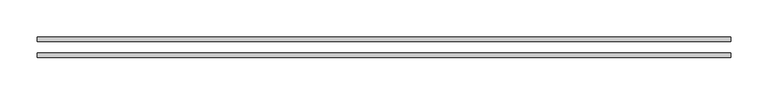
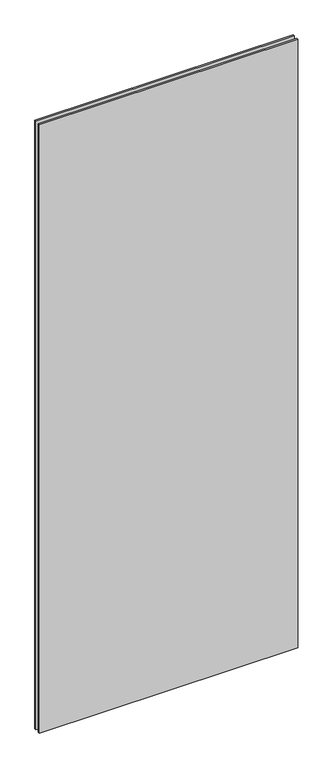
"""IFC4 building model written with IfcOpenShell, lengths in millimetres: plate geometry."""

from ifc_helpers import new_model, si_unit, origin, origin_with_axes, place, context, project, spatial, polyline, outline, extrude, source, transform, mapped, element, save


def plate_b9022d00(model_context):
    return source(origin(), model_context, "Body", "SweptSolid", [
        extrude(outline(polyline([(-467.7940491, 14.0), (467.7940491, 14.0), (467.7940491, 8.0), (-467.7940491, 8.0), (-467.7940491, 14.0)])), origin_with_axes(), (0.0, 0.0, 1.0), 2328.9085582),
        extrude(outline(polyline([(-467.7940491, -8.0), (467.7940491, -8.0), (467.7940491, -14.0), (-467.7940491, -14.0), (-467.7940491, -8.0)])), origin_with_axes(), (0.0, 0.0, 1.0), 2328.9085582),
    ])


if __name__ == "__main__":
    model = new_model("IFC4")
    model_context = context("Model", 3, world=origin())
    ifc_project = project(units=[si_unit("LENGTHUNIT", "METRE", prefix="MILLI")], contexts=[model_context])
    site = spatial("IfcSite", under=ifc_project)
    building = spatial("IfcBuilding", under=site)
    placement = place(None, origin())
    plate_shape = plate_b9022d00(model_context)
    element("IfcPlate", 1, at=placement, inside=building, context=model_context, shape_type="MappedRepresentation", body=[
        mapped(plate_shape, transform((0.0, 0.0, 0.0), x_axis=(1.0, 0.0, 0.0), y_axis=(0.0, 1.0, 0.0), z_axis=(0.0, 0.0, 1.0))),
    ])
    save(model, "model.ifc")
